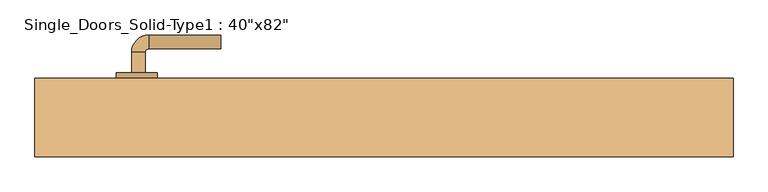
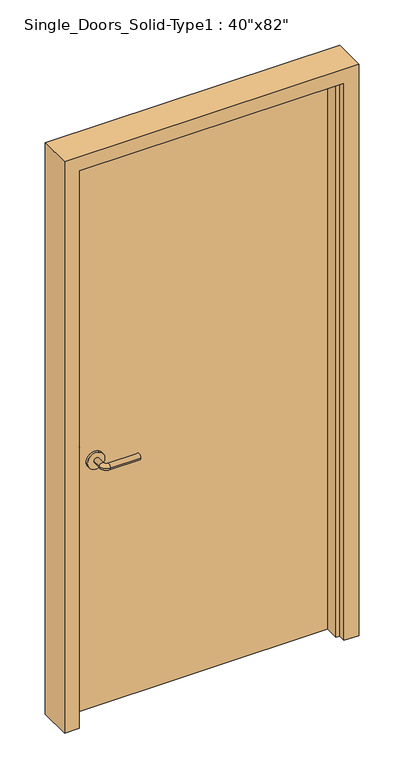
"""IFC4 building model written with IfcOpenShell, lengths in millimetres: door geometry."""

from ifc_helpers import new_model, si_unit, point, frame, frame_2d, origin, origin_with_axes, place, context, project, spatial, polyline, circle_curve, ellipse_curve, trimmed, segment, composite_curve, outline, extrude, faceted_brep, source, transform, mapped, element, save
from ifc_brep_helpers import plane_surface, cylinder_surface, revolved_surface, advanced_brep


def door_f48efefa(model_context):
    return source(origin(), model_context, "Body", "SolidModel", [
        advanced_brep(
        [(-367.2, 11.05, 900.0), (-347.2, 11.05, 900.0), (-347.2, -18.95, 900.0), (-367.2, -18.95, 900.0), (-342.2, -23.95, 900.0), (-342.2, -43.95, 900.0), (-237.2, -43.95, 900.0), (-237.2, -23.95, 900.0)],
        [
            (0, 1, circle_curve(frame((-357.2, 11.05, 900.0), z_axis=(0.0, 1.0, 0.0), x_axis=(1.0, 0.0, 0.0)), 10.0)),
            (1, 0, circle_curve(frame((-357.2, 11.05, 900.0), z_axis=(0.0, 1.0, 0.0), x_axis=(1.0, 0.0, 0.0)), 10.0)),
            (1, 2),
            (2, 3, circle_curve(frame((-357.2, -18.95, 900.0), z_axis=(0.0, 1.0, 0.0), x_axis=(1.0, 0.0, 0.0)), 10.0)),
            (3, 0),
            (3, 2, circle_curve(frame((-357.2, -18.95, 900.0), z_axis=(0.0, 1.0, 0.0), x_axis=(1.0, 0.0, 0.0)), 10.0)),
            (4, 5, circle_curve(frame((-342.2, -33.95, 900.0), z_axis=(-1.0, 0.0, 0.0), x_axis=(0.0, 1.0, 0.0)), 10.0)),
            (5, 3, circle_curve(frame((-342.2, -18.95, 900.0), z_axis=(0.0, 0.0, -1.0), x_axis=(-1.0, 0.0, 0.0)), 25.0)),
            (2, 4, circle_curve(frame((-342.2, -18.95, 900.0), z_axis=(0.0, 0.0, 1.0), x_axis=(-1.0, 0.0, 0.0)), 5.0)),
            (5, 4, circle_curve(frame((-342.2, -33.95, 900.0), z_axis=(-1.0, 0.0, 0.0), x_axis=(0.0, 1.0, 0.0)), 10.0)),
            (6, 7, circle_curve(frame((-237.2, -33.95, 900.0), z_axis=(1.0, 0.0, 0.0), x_axis=(0.0, 1.0, 0.0)), 10.0)),
            (7, 6, circle_curve(frame((-237.2, -33.95, 900.0), z_axis=(1.0, 0.0, 0.0), x_axis=(0.0, 1.0, 0.0)), 10.0)),
            (4, 7),
            (6, 5),
        ],
        [
            plane_surface(frame((-357.2, 11.05, 900.0), z_axis=(0.0, 1.0, 0.0), x_axis=(0.0, 0.0, 1.0))),
            cylinder_surface(frame((-357.2, 11.05, 900.0), z_axis=(0.0, 1.0, 0.0), x_axis=(1.0, 0.0, 0.0)), 10.0),
            revolved_surface(trimmed(ellipse_curve(frame((-357.2, -18.95, 900.0), z_axis=(0.0, -1.0, 0.0), x_axis=(1.0, 0.0, 0.0)), 10.0, 10.0), [point((-367.2, -18.95, 900.0))], [point((-347.2, -18.95, 900.0))], True, "CARTESIAN"), (-342.2, -18.95, 900.0), (0.0, 0.0, -1.0)),
            revolved_surface(trimmed(ellipse_curve(frame((-357.2, -18.95, 900.0), z_axis=(0.0, -1.0, 0.0), x_axis=(1.0, 0.0, 0.0)), 10.0, 10.0), [point((-347.2, -18.95, 900.0))], [point((-367.2, -18.95, 900.0))], True, "CARTESIAN"), (-342.2, -18.95, 900.0), (0.0, 0.0, -1.0)),
            plane_surface(frame((-237.2, -33.95, 900.0), z_axis=(1.0, 0.0, 0.0), x_axis=(0.0, 0.0, 1.0))),
            cylinder_surface(frame((-342.2, -33.95, 900.0), z_axis=(-1.0, 0.0, 0.0), x_axis=(0.0, 1.0, 0.0)), 10.0),
        ],
        [
            (0, [[1, 2]]),
            (1, [[3, 4, 5, -2]]),
            (1, [[-5, 6, -3, -1]]),
            (2, [[7, 8, -4, 9]]),
            (3, [[10, -9, -6, -8]]),
            (4, [[11, 12]]),
            (5, [[13, -11, 14, -7]]),
            (5, [[-14, -12, -13, -10]]),
        ],
    ),
        extrude(outline(composite_curve([segment(trimmed(circle_curve(frame_2d((900.0, -359.7)), 30.0), [point((900.0, -389.7))], [point((900.0, -329.7))], False, "CARTESIAN"), True, "CONTINUOUS"), segment(trimmed(circle_curve(frame_2d((900.0, -359.7)), 30.0), [point((900.0, -329.7))], [point((900.0, -389.7))], False, "CARTESIAN"), True, "CONTINUOUS")], self_intersect=False)), frame((0.0, 11.05, 0.0), z_axis=(0.0, 1.0, 0.0), x_axis=(0.0, 0.0, 1.0)), (0.0, 0.0, 1.0), 8.0),
        advanced_brep(
        [(-367.2, 65.15, 900.0), (-347.2, 65.15, 900.0), (-367.2, 95.15, 900.0), (-347.2, 95.15, 900.0), (-342.2, 100.15, 900.0), (-342.2, 120.15, 900.0), (-237.2, 120.15, 900.0), (-237.2, 100.15, 900.0)],
        [
            (0, 1, circle_curve(frame((-357.2, 65.15, 900.0), z_axis=(0.0, -1.0, 0.0), x_axis=(1.0, 0.0, 0.0)), 10.0)),
            (1, 0, circle_curve(frame((-357.2, 65.15, 900.0), z_axis=(0.0, -1.0, 0.0), x_axis=(1.0, 0.0, 0.0)), 10.0)),
            (0, 2),
            (2, 3, circle_curve(frame((-357.2, 95.15, 900.0), z_axis=(0.0, -1.0, 0.0), x_axis=(1.0, 0.0, 0.0)), 10.0)),
            (3, 1),
            (3, 2, circle_curve(frame((-357.2, 95.15, 900.0), z_axis=(0.0, -1.0, 0.0), x_axis=(1.0, 0.0, 0.0)), 10.0)),
            (4, 3, circle_curve(frame((-342.2, 95.15, 900.0), z_axis=(0.0, 0.0, 1.0), x_axis=(-1.0, 0.0, 0.0)), 5.0)),
            (2, 5, circle_curve(frame((-342.2, 95.15, 900.0), z_axis=(0.0, 0.0, -1.0), x_axis=(-1.0, 0.0, 0.0)), 25.0)),
            (5, 4, circle_curve(frame((-342.2, 110.15, 900.0), z_axis=(-1.0, 0.0, 0.0), x_axis=(0.0, -1.0, 0.0)), 10.0)),
            (4, 5, circle_curve(frame((-342.2, 110.15, 900.0), z_axis=(-1.0, 0.0, 0.0), x_axis=(0.0, -1.0, 0.0)), 10.0)),
            (6, 7, circle_curve(frame((-237.2, 110.15, 900.0), z_axis=(1.0, 0.0, 0.0), x_axis=(0.0, -1.0, 0.0)), 10.0)),
            (7, 6, circle_curve(frame((-237.2, 110.15, 900.0), z_axis=(1.0, 0.0, 0.0), x_axis=(0.0, -1.0, 0.0)), 10.0)),
            (5, 6),
            (7, 4),
        ],
        [
            plane_surface(frame((-357.2, 65.15, 900.0), z_axis=(0.0, -1.0, 0.0), x_axis=(0.0, 0.0, 1.0))),
            cylinder_surface(frame((-357.2, 65.15, 900.0), z_axis=(0.0, -1.0, 0.0), x_axis=(1.0, 0.0, 0.0)), 10.0),
            revolved_surface(trimmed(ellipse_curve(frame((-357.2, 95.15, 900.0), z_axis=(0.0, -1.0, 0.0), x_axis=(1.0, 0.0, 0.0)), 10.0, 10.0), [point((-367.2, 95.15, 900.0))], [point((-347.2, 95.15, 900.0))], True, "CARTESIAN"), (-342.2, 95.15, 900.0), (0.0, 0.0, -1.0)),
            revolved_surface(trimmed(ellipse_curve(frame((-357.2, 95.15, 900.0), z_axis=(0.0, -1.0, 0.0), x_axis=(1.0, 0.0, 0.0)), 10.0, 10.0), [point((-347.2, 95.15, 900.0))], [point((-367.2, 95.15, 900.0))], True, "CARTESIAN"), (-342.2, 95.15, 900.0), (0.0, 0.0, -1.0)),
            plane_surface(frame((-237.2, 110.15, 900.0), z_axis=(1.0, 0.0, 0.0), x_axis=(0.0, 0.0, 1.0))),
            cylinder_surface(frame((-342.2, 110.15, 900.0), z_axis=(-1.0, 0.0, 0.0), x_axis=(0.0, -1.0, 0.0)), 10.0),
        ],
        [
            (0, [[1, 2]]),
            (1, [[-1, 3, 4, 5]]),
            (1, [[-2, -5, 6, -3]]),
            (2, [[7, -4, 8, 9]]),
            (3, [[-8, -6, -7, 10]]),
            (4, [[11, 12]]),
            (5, [[-9, 13, -12, 14]]),
            (5, [[-10, -14, -11, -13]]),
        ],
    ),
        extrude(outline(composite_curve([segment(trimmed(circle_curve(frame_2d((900.0, -359.7)), 30.0), [point((900.0, -389.7))], [point((900.0, -329.7))], False, "CARTESIAN"), True, "CONTINUOUS"), segment(trimmed(circle_curve(frame_2d((900.0, -359.7)), 30.0), [point((900.0, -329.7))], [point((900.0, -389.7))], False, "CARTESIAN"), True, "CONTINUOUS")], self_intersect=False)), frame((0.0, 57.15, 0.0), z_axis=(0.0, 1.0, 0.0), x_axis=(0.0, 0.0, 1.0)), (0.0, 0.0, 1.0), 8.0),
        faceted_brep([(-508.0, -57.15, 0.0), (-508.0, 57.15, 0.0), (-457.2, 57.15, 0.0), (-457.2, 19.05, 0.0), (-444.5, 19.05, 0.0), (-444.5, -31.75, 0.0), (-457.2, -31.75, 0.0), (-457.2, -57.15, 0.0), (-508.0, -57.15, 2082.8), (-508.0, 57.15, 2082.8), (508.0, 57.15, 2082.8), (508.0, 57.15, 0.0), (457.2, 57.15, 0.0), (457.2, 57.15, 2032.0), (-457.2, 57.15, 2032.0), (-457.2, 19.05, 2032.0), (457.2, 19.05, 2032.0), (457.2, 19.05, 0.0), (444.5, 19.05, 0.0), (444.5, 19.05, 2019.3), (-444.5, 19.05, 2019.3), (-444.5, -31.75, 2019.3), (444.5, -31.75, 2019.3), (444.5, -31.75, 0.0), (457.2, -31.75, 0.0), (457.2, -31.75, 2032.0), (-457.2, -31.75, 2032.0), (-457.2, -57.15, 2032.0), (457.2, -57.15, 2032.0), (457.2, -57.15, 0.0), (508.0, -57.15, 0.0), (508.0, -57.15, 2082.8)], [[[0, 1, 2, 3, 4, 5, 6, 7]], [[1, 0, 8, 9]], [[2, 1, 9, 10, 11, 12, 13, 14]], [[3, 2, 14, 15]], [[4, 3, 15, 16, 17, 18, 19, 20]], [[5, 4, 20, 21]], [[6, 5, 21, 22, 23, 24, 25, 26]], [[7, 6, 26, 27]], [[0, 7, 27, 28, 29, 30, 31, 8]], [[10, 31, 30, 11]], [[30, 29, 24, 23, 18, 17, 12, 11]], [[16, 13, 12, 17]], [[22, 19, 18, 23]], [[28, 25, 24, 29]], [[9, 8, 31, 10]], [[15, 14, 13, 16]], [[21, 20, 19, 22]], [[27, 26, 25, 28]]]),
        extrude(outline(polyline([(457.2, 19.05), (-457.2, 19.05), (-457.2, 57.15), (457.2, 57.15), (457.2, 19.05)])), origin_with_axes(), (0.0, 0.0, 1.0), 2032.0),
    ])


if __name__ == "__main__":
    model = new_model("IFC4")
    model_context = context("Model", 3, world=origin())
    ifc_project = project(units=[si_unit("LENGTHUNIT", "METRE", prefix="MILLI")], contexts=[model_context])
    site = spatial("IfcSite", under=ifc_project)
    building = spatial("IfcBuilding", under=site)
    placement = place(None, origin())
    door_shape = door_f48efefa(model_context)
    element("IfcDoor", 1, ObjectType="Single_Doors_Solid-Type1 : 40\"x82\"", at=placement, inside=building, context=model_context, shape_type="MappedRepresentation", body=[
        mapped(door_shape, transform((0.0, 0.0, 0.0), x_axis=(1.0, 0.0, 0.0), y_axis=(0.0, 1.0, 0.0), z_axis=(0.0, 0.0, 1.0))),
    ])
    save(model, "model.ifc")
